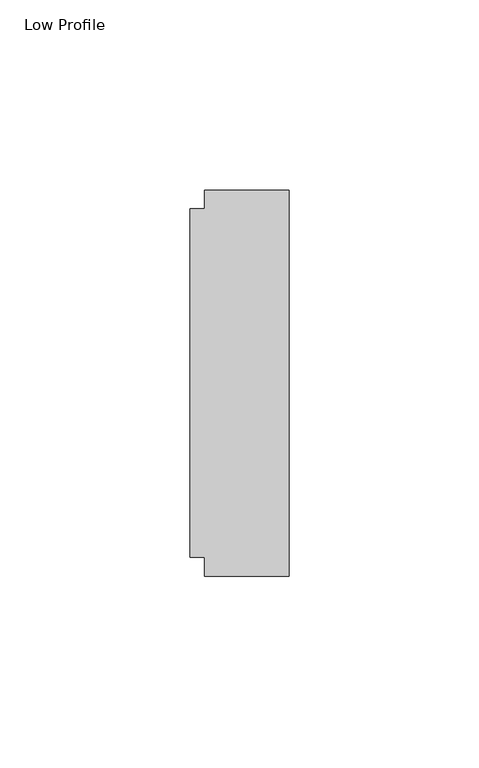
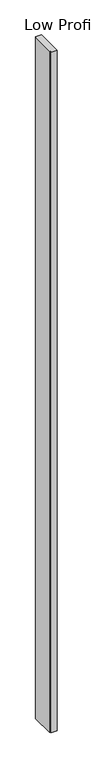
"""IFC4 building model written with IfcOpenShell, lengths in millimetres: furniture geometry, Low Profile."""

import ifcopenshell
import ifcopenshell.guid

model = None  # the IFC model being written
_history = None  # IfcOwnerHistory: only IFC2X3 demands one
_inside = {}  # id of a spatial element -> (the spatial element, [elements in it])
_under = {}  # id of a project, library or spatial element -> (it, [spatial elements below it])
_declared = {}  # id of a project -> (the project, [libraries it declares])
_typed = {}  # id of a type object -> (the type object, [elements of that type])
_made_of = {}  # id of a material, layer set ... -> (it, [elements and type objects made of it])


def new_model(schema):
    """Start an empty IFC model of exactly this schema.

    Asked for "IFC4X3", IfcOpenShell would pick the latest addendum, in which some entities
    have other attributes; the version numbers below select the first issue.
    IFC2X3 requires an IfcOwnerHistory on every rooted entity: one is made here for all.
    """
    global model, _history
    if schema == "IFC4X3":
        model = ifcopenshell.file(schema_version=(4, 3, 0, 0))
    else:
        model = ifcopenshell.file(schema=schema)
    _inside.clear()
    _under.clear()
    _declared.clear()
    _typed.clear()
    _made_of.clear()
    _history = None
    if model.schema == "IFC2X3":
        org = make("IfcOrganization", Name="unknown")
        user = make(
            "IfcPersonAndOrganization",
            ThePerson=make("IfcPerson", FamilyName="unknown"),
            TheOrganization=org,
        )
        app = make(
            "IfcApplication",
            ApplicationDeveloper=org,
            Version="unknown",
            ApplicationFullName="unknown",
            ApplicationIdentifier="unknown",
        )
        _history = make(
            "IfcOwnerHistory",
            OwningUser=user,
            OwningApplication=app,
            ChangeAction="ADDED",
            CreationDate=0,
        )
    return model


def make(cls, **values):
    """One entity of the class cls with the attributes given. An attribute that is None is left unset."""
    return model.create_entity(
        cls, **{name: value for name, value in values.items() if value is not None}
    )


def rooted(cls, **values):
    """An entity with a GlobalId (a new one), such as an element, a storey or a relation."""
    return make(cls, GlobalId=ifcopenshell.guid.new(), OwnerHistory=_history, **values)


def si_unit(unit_type, name, prefix=None):
    """IfcSIUnit, for example si_unit("LENGTHUNIT", "METRE", prefix="MILLI")."""
    return make("IfcSIUnit", UnitType=unit_type, Prefix=prefix, Name=name)


def assignment(units):
    """IfcUnitAssignment: the units of a project."""
    return None if units is None else make("IfcUnitAssignment", Units=units)


def point(xyz):
    """IfcCartesianPoint."""
    return None if xyz is None else make("IfcCartesianPoint", Coordinates=xyz)


def direction(xyz):
    """IfcDirection."""
    return None if xyz is None else make("IfcDirection", DirectionRatios=xyz)


def frame(location, z_axis=None, x_axis=None):
    """IfcAxis2Placement3D, a coordinate frame: its origin and axes. An axis left out is left unset."""
    return make(
        "IfcAxis2Placement3D",
        Location=point(location),
        Axis=direction(z_axis),
        RefDirection=direction(x_axis),
    )


def origin():
    """The frame at (0, 0, 0) with its axes left unset."""
    return frame((0.0, 0.0, 0.0))


def origin_with_axes():
    """The frame at (0, 0, 0) with the z axis (0, 0, 1) and the x axis (1, 0, 0) written out."""
    return frame((0.0, 0.0, 0.0), z_axis=(0.0, 0.0, 1.0), x_axis=(1.0, 0.0, 0.0))


def place(relative_to, where):
    """IfcLocalPlacement: puts the frame where relative to a parent placement (None: the world)."""
    return make(
        "IfcLocalPlacement", PlacementRelTo=relative_to, RelativePlacement=where
    )


def context(
    kind, dimensions, precision=None, world=None, true_north=None, identifier=None
):
    """IfcGeometricRepresentationContext, for example the 3D "Model" context."""
    return make(
        "IfcGeometricRepresentationContext",
        ContextIdentifier=identifier,
        ContextType=kind,
        CoordinateSpaceDimension=dimensions,
        Precision=precision,
        WorldCoordinateSystem=world,
        TrueNorth=true_north,
    )


def project(units=None, contexts=None):
    """IfcProject with its units and contexts."""
    return rooted(
        "IfcProject",
        Name="project",
        RepresentationContexts=contexts,
        UnitsInContext=assignment(units),
    )


def spatial(cls, under=None, at=None, **own):
    """A site, building, storey or space (cls), placed at a placement, below another one or the project."""
    s = rooted(cls, ObjectPlacement=at, **own)
    if under is not None:
        _under.setdefault(under.id(), (under, []))[1].append(s)
    return s


def polyline(points):
    """IfcPolyline through the points."""
    return make("IfcPolyline", Points=[point(p) for p in points])


def outline(outer, holes=None, kind="AREA"):
    """IfcArbitraryClosedProfileDef: a profile drawn as a closed curve; with holes, ...WithVoids."""
    if holes is None:
        return make("IfcArbitraryClosedProfileDef", ProfileType=kind, OuterCurve=outer)
    return make(
        "IfcArbitraryProfileDefWithVoids",
        ProfileType=kind,
        OuterCurve=outer,
        InnerCurves=holes,
    )


def extrude(swept, where, along, depth):
    """IfcExtrudedAreaSolid: the profile swept, set in the frame where, extruded along a direction by depth."""
    return make(
        "IfcExtrudedAreaSolid",
        SweptArea=swept,
        Position=where,
        ExtrudedDirection=direction(along),
        Depth=depth,
    )


def shape(context_of_items, identifier, shape_type, items):
    """IfcShapeRepresentation: the items that make up one representation, for example the "Body"."""
    return make(
        "IfcShapeRepresentation",
        ContextOfItems=context_of_items,
        RepresentationIdentifier=identifier,
        RepresentationType=shape_type,
        Items=items,
    )


def source(mapping_origin, context_of_items, identifier, shape_type, items):
    """IfcRepresentationMap: a shape defined once, which mapped items show again and again."""
    return make(
        "IfcRepresentationMap",
        MappingOrigin=mapping_origin,
        MappedRepresentation=shape(context_of_items, identifier, shape_type, items),
    )


def transform(
    local_origin,
    x_axis=None,
    y_axis=None,
    z_axis=None,
    scale=None,
    scale2=None,
    scale3=None,
    uniform=True,
):
    """IfcCartesianTransformationOperator3D, or its non-uniform kind. x_axis, y_axis, z_axis: its Axis1, 2, 3."""
    if uniform:
        return make(
            "IfcCartesianTransformationOperator3D",
            Axis1=direction(x_axis),
            Axis2=direction(y_axis),
            LocalOrigin=point(local_origin),
            Scale=scale,
            Axis3=direction(z_axis),
        )
    return make(
        "IfcCartesianTransformationOperator3DnonUniform",
        Axis1=direction(x_axis),
        Axis2=direction(y_axis),
        LocalOrigin=point(local_origin),
        Scale=scale,
        Axis3=direction(z_axis),
        Scale2=scale2,
        Scale3=scale3,
    )


def mapped(mapping_source, mapping_target):
    """IfcMappedItem: shows the shape of a source again, moved by a transform."""
    return make(
        "IfcMappedItem", MappingSource=mapping_source, MappingTarget=mapping_target
    )


def made_of(thing, what):
    """Note that an element or type object is made of a material, layer set ...; save() writes the relation."""
    if what is not None:
        _made_of.setdefault(what.id(), (what, []))[1].append(thing)
    return thing


def element(
    cls,
    number,
    at=None,
    inside=None,
    cuts=None,
    type_object=None,
    material=None,
    context=None,
    identifier="Body",
    shape_type=None,
    held_by="IfcProductDefinitionShape",
    body=None,
    shapes=None,
    **own,
):
    """One element of the class cls, such as IfcWall. Its Tag is "e" and its number.

    at: its placement. inside: the storey or other place that contains it. cuts: it is an
    opening in that element (IfcRelVoidsElement). A single representation is given by context,
    identifier, shape_type and body (its items); several are given by shapes. held_by: the class
    of the entity that holds the representations. save() writes the other relations.
    """
    e = rooted(cls, Tag="e%d" % number, ObjectPlacement=at, **own)
    if body is not None:
        shapes = [shape(context, identifier, shape_type, body)]
    if shapes is not None:
        e.Representation = make(held_by, Representations=shapes)
    if inside is not None:
        _inside.setdefault(inside.id(), (inside, []))[1].append(e)
    if cuts is not None:
        rooted(
            "IfcRelVoidsElement", RelatingBuildingElement=cuts, RelatedOpeningElement=e
        )
    if type_object is not None:
        _typed.setdefault(type_object.id(), (type_object, []))[1].append(e)
    return made_of(e, material)


def aggregate(whole, parts):
    """IfcRelAggregates: a whole, such as a stair, and the parts it consists of."""
    return rooted("IfcRelAggregates", RelatingObject=whole, RelatedObjects=parts)


def save(model, path):
    """Write the relations noted so far, then the file.

    IfcRelAggregates (storeys below a building ...), IfcRelContainedInSpatialStructure (elements
    in a storey), IfcRelDefinesByType, IfcRelAssociatesMaterial and IfcRelDeclares: one each for
    every whole, place, type object, material and project.
    """
    for whole, parts in _under.values():
        aggregate(whole, parts)
    for where, things in _inside.values():
        rooted(
            "IfcRelContainedInSpatialStructure",
            RelatedElements=things,
            RelatingStructure=where,
        )
    for kind, things in _typed.values():
        rooted("IfcRelDefinesByType", RelatedObjects=things, RelatingType=kind)
    for what, things in _made_of.values():
        rooted("IfcRelAssociatesMaterial", RelatedObjects=things, RelatingMaterial=what)
    for by, libraries in _declared.values():
        rooted("IfcRelDeclares", RelatingContext=by, RelatedDefinitions=libraries)
    model.write(path)


def low_profile_2602423e(model_context):
    return source(origin(), model_context, "Body", "SweptSolid", [
        extrude(outline(polyline([(29.9771531, 66.301805), (52.2021531, 66.301805), (52.2021531, -35.298195), (29.9771531, -35.298195), (29.9771531, -30.345195), (26.0401531, -30.345195), (26.0401531, 61.348805), (29.9771531, 61.348805), (29.9771531, 66.301805)])), origin_with_axes(), (0.0, 0.0, 1.0), 2743.2),
    ])


if __name__ == "__main__":
    model = new_model("IFC4")
    model_context = context("Model", 3, world=origin())
    ifc_project = project(units=[si_unit("LENGTHUNIT", "METRE", prefix="MILLI")], contexts=[model_context])
    site = spatial("IfcSite", under=ifc_project)
    building = spatial("IfcBuilding", under=site)
    placement = place(None, origin())
    low_profile_shape = low_profile_2602423e(model_context)
    element("IfcFurniture", 1, ObjectType="Low Profile", at=placement, inside=building, context=model_context, shape_type="MappedRepresentation", body=[
        mapped(low_profile_shape, transform((0.0, 0.0, 0.0), x_axis=(1.0, 0.0, 0.0), y_axis=(0.0, 1.0, 0.0), z_axis=(0.0, 0.0, 1.0))),
    ])
    save(model, "model.ifc")
